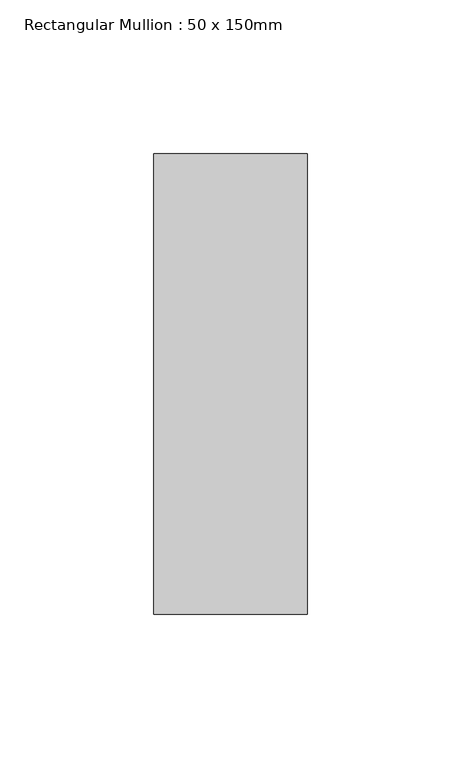
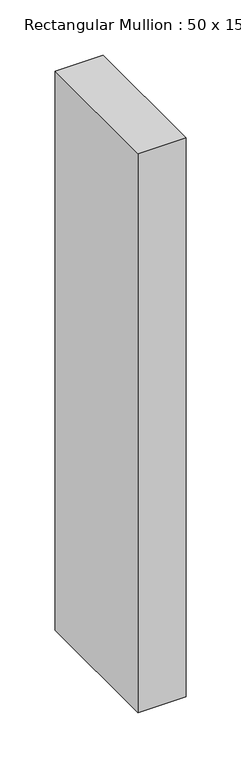
"""IFC4 building model written with IfcOpenShell, lengths in millimetres: member geometry, Rectangular Mullion : 50 x 150mm."""

from ifc_helpers import new_model, si_unit, frame, origin, place, context, project, spatial, polyline, outline, extrude, source, transform, mapped, element, save


def rectangular_mullion_50_x_150mm_ca522d53(model_context):
    return source(origin(), model_context, "Body", "SweptSolid", [
        extrude(outline(polyline([(0.0, 75.0), (0.0, -75.0), (-50.0, -75.0), (-50.0, 75.0), (0.0, 75.0)])), frame((0.0, 0.0, -617.0666667), z_axis=(0.0, 0.0, 1.0), x_axis=(1.0, 0.0, 0.0)), (0.0, 0.0, 1.0), 617.0666667),
    ])


if __name__ == "__main__":
    model = new_model("IFC4")
    model_context = context("Model", 3, world=origin())
    ifc_project = project(units=[si_unit("LENGTHUNIT", "METRE", prefix="MILLI")], contexts=[model_context])
    site = spatial("IfcSite", under=ifc_project)
    building = spatial("IfcBuilding", under=site)
    placement = place(None, origin())
    rectangular_mullion_50_x_150mm_shape = rectangular_mullion_50_x_150mm_ca522d53(model_context)
    element("IfcMember", 1, ObjectType="Rectangular Mullion : 50 x 150mm", at=placement, inside=building, context=model_context, shape_type="MappedRepresentation", body=[
        mapped(rectangular_mullion_50_x_150mm_shape, transform((0.0, 0.0, 0.0), x_axis=(1.0, 0.0, 0.0), y_axis=(0.0, 1.0, 0.0), z_axis=(0.0, 0.0, 1.0))),
    ])
    save(model, "model.ifc")
